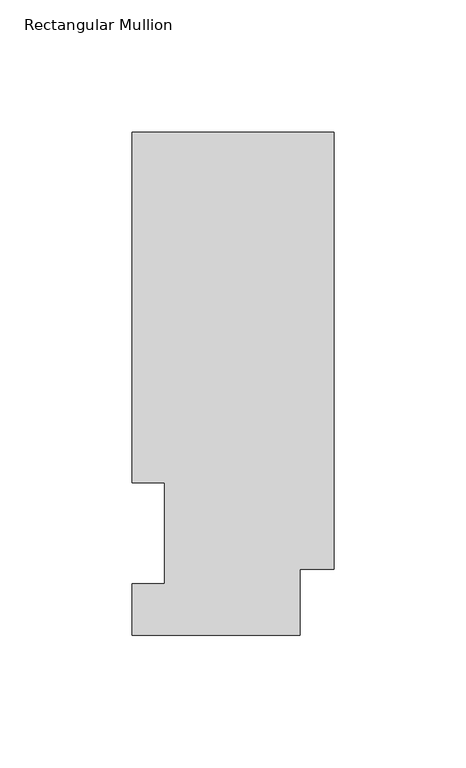
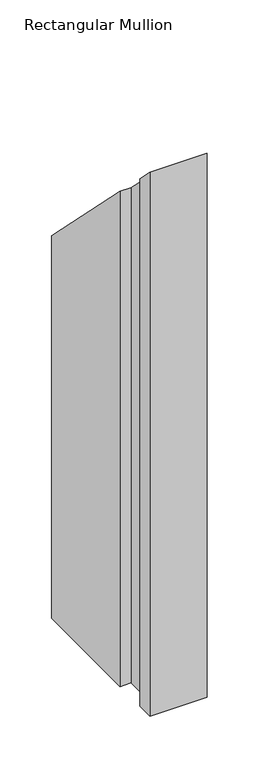
"""IFC4 building model written with IfcOpenShell, lengths in millimetres: member geometry, Rectangular Mullion."""

from ifc_helpers import new_model, si_unit, origin, place, context, project, spatial, faceted_brep, source, transform, mapped, element, save


def rectangular_mullion_a210a3dc(model_context):
    return source(origin(), model_context, "Body", "Brep", [
        faceted_brep([(-76.2, 190.0816937, -641.35), (0.0, 190.0816937, -641.35), (0.0, 25.0832937, -641.35), (-12.7, 25.0832937, -641.35), (-12.7, 0.0134937, -641.35), (-76.2, 0.0134937, -641.35), (-76.2, 19.5460937, -641.35), (-63.8581605, 19.5460937, -641.35), (-63.8581605, 57.6460937, -641.35), (-76.2, 57.6460937, -641.35), (-76.2, 57.6460937, -57.6460938), (-76.2, 190.0816937, -190.0816937), (-63.8581605, 57.6460937, -57.6460938), (-63.8581605, 19.5460937, -19.5460937), (-76.2, 19.5460937, -19.5460937), (-76.2, 0.0134937, -0.0134937), (-12.7, 0.0134937, -0.0134937), (-12.7, 25.0832937, -25.0832937), (0.0, 25.0832937, -25.0832937), (0.0, 190.0816937, -190.0816937)], [[[0, 1, 2, 3, 4, 5, 6, 7, 8, 9]], [[10, 11, 0, 9]], [[12, 10, 9, 8]], [[13, 12, 8, 7]], [[14, 13, 7, 6]], [[15, 14, 6, 5]], [[16, 15, 5, 4]], [[17, 16, 4, 3]], [[18, 17, 3, 2]], [[19, 18, 2, 1]], [[11, 19, 1, 0]], [[11, 10, 12, 13, 14, 15, 16, 17, 18, 19]]]),
    ])


if __name__ == "__main__":
    model = new_model("IFC4")
    model_context = context("Model", 3, world=origin())
    ifc_project = project(units=[si_unit("LENGTHUNIT", "METRE", prefix="MILLI")], contexts=[model_context])
    site = spatial("IfcSite", under=ifc_project)
    building = spatial("IfcBuilding", under=site)
    placement = place(None, origin())
    rectangular_mullion_shape = rectangular_mullion_a210a3dc(model_context)
    element("IfcMember", 1, ObjectType="Rectangular Mullion", at=placement, inside=building, context=model_context, shape_type="MappedRepresentation", body=[
        mapped(rectangular_mullion_shape, transform((0.0, 0.0, 0.0), x_axis=(1.0, 0.0, 0.0), y_axis=(0.0, 1.0, 0.0), z_axis=(0.0, 0.0, 1.0))),
    ])
    save(model, "model.ifc")
